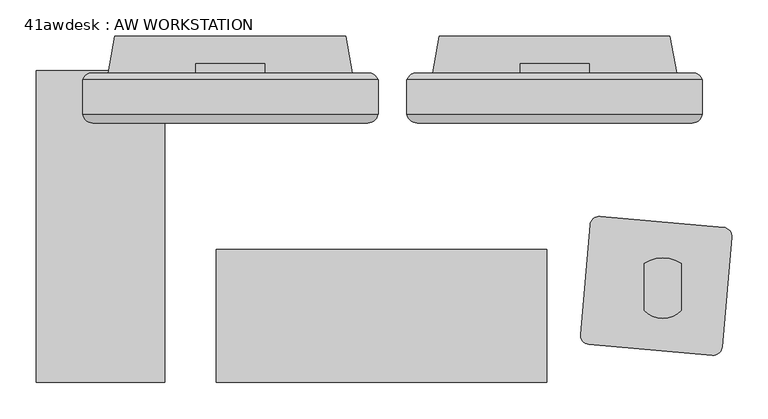
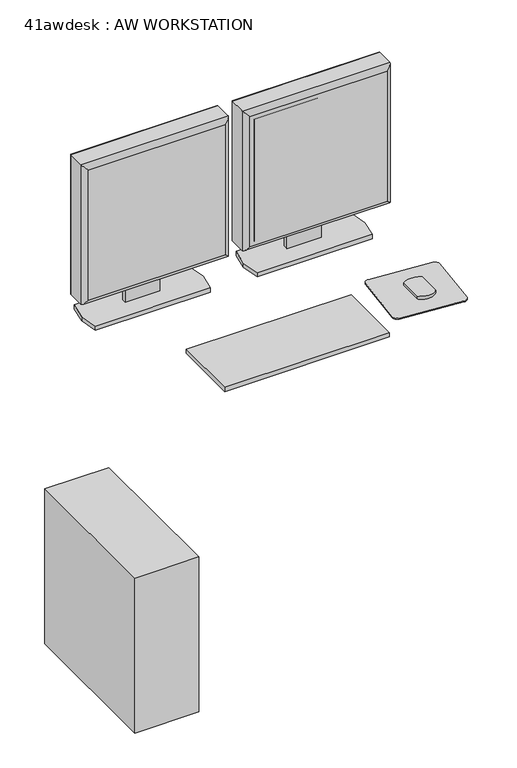
"""IFC4 building model written with IfcOpenShell, lengths in millimetres: proxy geometry, 41awdesk : AW WORKSTATION."""

from ifc_helpers import new_model, si_unit, point, frame, frame_2d, origin, origin_with_axes, place, context, project, spatial, polyline, circle_curve, ellipse_curve, trimmed, segment, composite_curve, outline, extrude, source, transform, mapped, element, save
from ifc_brep_helpers import plane_surface, cylinder_surface, advanced_brep


def proxy_41awdesk_aw_workstation_a5c056a0(model_context):
    return source(origin(), model_context, "Body", "SolidModel", [
        advanced_brep(
        [(2.317805, -60.291636, 1419.86), (2.317805, -103.4223166, 1419.86), (2.317805, -108.4193594, 1419.86), (411.257805, -108.4193594, 1419.86), (411.257805, -103.4223166, 1419.86), (411.257805, -60.291636, 1419.86), (411.257805, -60.291636, 1010.2963264), (411.257805, -103.4223166, 1010.2963264), (411.257805, -108.4193594, 1010.2963264), (2.317805, -108.4193594, 1010.2963264), (2.317805, -103.4223166, 1010.2963264), (2.317805, -60.291636, 1010.2963264), (11.555441, -51.054, 1019.5339624), (11.555441, -51.054, 1410.622364), (402.0201691, -51.054, 1410.622364), (402.0201691, -51.054, 1019.5339624), (16.4819657, -120.3036769, 1405.694569), (16.4819657, -120.3036769, 1024.4617574), (397.092374, -120.3036769, 1024.460487), (397.0936444, -120.3036769, 1405.694569)],
        [
            (0, 1),
            (1, 2),
            (2, 3),
            (3, 4),
            (4, 5),
            (5, 0),
            (6, 7),
            (7, 8),
            (8, 9),
            (9, 10),
            (10, 11),
            (11, 6),
            (12, 13),
            (13, 14),
            (14, 15),
            (15, 12),
            (0, 11),
            (9, 2),
            (16, 17),
            (17, 18),
            (18, 19),
            (19, 16),
            (3, 8),
            (6, 5),
            (12, 11, ellipse_curve(frame((18.4324933, -67.1686883, 1026.4110147), z_axis=(-0.7071067811865452, 0.0, 0.7071067811865498), x_axis=(-0.7071067811865498, 0.0, -0.7071067811865452)), 24.7780962, 17.5207599)),
            (0, 13, ellipse_curve(frame((18.4324933, -67.1686883, 1403.7453117), z_axis=(-0.7071067811865498, 0.0, -0.7071067811865452), x_axis=(0.7071067811865452, 0.0, -0.7071067811865498)), 24.7780962, 17.5207599)),
            (16, 2, ellipse_curve(frame((16.4819657, -105.920838, 1405.6958394), z_axis=(-0.7071067811865498, 0.0, -0.7071067811865452), x_axis=(0.7071067811865452, 0.0, -0.7071067811865498)), 20.3404059, 14.3828389)),
            (9, 17, ellipse_curve(frame((16.4819657, -105.920838, 1024.460487), z_axis=(-0.7071067811865452, 0.0, 0.7071067811865498), x_axis=(-0.7071067811865498, 0.0, -0.7071067811865452)), 20.3404059, 14.3828389)),
            (15, 6, ellipse_curve(frame((395.1431168, -67.1686883, 1026.4110147), z_axis=(-0.7071067811865498, 0.0, -0.7071067811865452), x_axis=(0.7071067811865452, 0.0, -0.7071067811865497)), 24.7780962, 17.5207599)),
            (8, 18, ellipse_curve(frame((397.0936444, -105.920838, 1024.460487), z_axis=(-0.7071067811865498, 0.0, -0.7071067811865452), x_axis=(0.7071067811865452, 0.0, -0.7071067811865497)), 20.3404059, 14.3828389)),
            (14, 5, ellipse_curve(frame((395.1431168, -67.1686883, 1403.7453117), z_axis=(0.7071067811865452, 0.0, -0.7071067811865498), x_axis=(0.7071067811865498, 0.0, 0.7071067811865452)), 24.7780962, 17.5207599)),
            (3, 19, ellipse_curve(frame((397.0936444, -105.920838, 1405.6958394), z_axis=(0.7071067811865452, 0.0, -0.7071067811865498), x_axis=(0.7071067811865498, 0.0, 0.7071067811865452)), 20.3404059, 14.3828389)),
        ],
        [
            plane_surface(frame((7.397805, -51.054, 1419.86), z_axis=(0.0, 0.0, 1.0), x_axis=(-1.0, 0.0, 0.0))),
            plane_surface(frame((7.397805, -51.054, 1010.2963264), z_axis=(0.0, 0.0, -1.0), x_axis=(1.0, 0.0, 0.0))),
            plane_surface(frame((411.257805, -51.054, 1419.86), z_axis=(0.0, 1.0, 0.0), x_axis=(0.0, 0.0, -1.0))),
            plane_surface(frame((2.317805, -51.054, 1419.86), z_axis=(-1.0, 0.0, 0.0), x_axis=(0.0, 0.0, -1.0))),
            plane_surface(frame((2.317805, -120.3036769, 1419.86), z_axis=(0.0, -1.0, 0.0), x_axis=(0.0, 0.0, -1.0))),
            plane_surface(frame((411.257805, -120.3036769, 1419.86), z_axis=(1.0, 0.0, 0.0), x_axis=(0.0, 0.0, -1.0))),
            cylinder_surface(frame((18.4324933, -67.1686883, 1419.86), z_axis=(0.0, 0.0, -1.0), x_axis=(0.0, 1.0, 0.0)), 17.5207599),
            cylinder_surface(frame((16.4819657, -105.920838, 1419.86), z_axis=(0.0, 0.0, -1.0), x_axis=(0.0, 1.0, 0.0)), 14.3828389),
            cylinder_surface(frame((2.317805, -67.1686883, 1026.4110147), z_axis=(1.0, 0.0, 0.0), x_axis=(0.0, 1.0, 0.0)), 17.5207599),
            cylinder_surface(frame((2.317805, -105.920838, 1024.460487), z_axis=(1.0, 0.0, 0.0), x_axis=(0.0, 1.0, 0.0)), 14.3828389),
            cylinder_surface(frame((395.1431168, -67.1686883, 1010.2963264), z_axis=(0.0, 0.0, 1.0), x_axis=(0.0, 1.0, 0.0)), 17.5207599),
            cylinder_surface(frame((397.0936444, -105.920838, 1010.2963264), z_axis=(0.0, 0.0, 1.0), x_axis=(0.0, 1.0, 0.0)), 14.3828389),
            cylinder_surface(frame((411.257805, -67.1686883, 1403.7453117), z_axis=(-1.0, 0.0, 0.0), x_axis=(0.0, 1.0, 0.0)), 17.5207599),
            cylinder_surface(frame((411.257805, -105.920838, 1405.6958394), z_axis=(-1.0, 0.0, 0.0), x_axis=(0.0, 1.0, 0.0)), 14.3828389),
        ],
        [
            (0, [[1, 2, 3, 4, 5, 6]]),
            (1, [[7, 8, 9, 10, 11, 12]]),
            (2, [[13, 14, 15, 16]]),
            (3, [[-1, 17, -11, -10, 18, -2]]),
            (4, [[19, 20, 21, 22]]),
            (5, [[-5, -4, 23, -8, -7, 24]]),
            (6, [[25, -17, 26, -13]]),
            (7, [[27, -18, 28, -19]]),
            (8, [[-25, -16, 29, -12]]),
            (9, [[30, -20, -28, -9]]),
            (10, [[-29, -15, 31, -24]]),
            (11, [[32, -21, -30, -23]]),
            (12, [[-26, -6, -31, -14]]),
            (13, [[-27, -22, -32, -3]]),
        ],
    ),
        extrude(outline(polyline([(27.717805, -114.3898978), (385.857805, -114.3898978), (385.857805, -120.3036769), (27.717805, -120.3036769), (27.717805, -114.3898978)])), frame((0.0, 0.0, 1035.6963264), z_axis=(0.0, 0.0, 1.0), x_axis=(1.0, 0.0, 0.0)), (0.0, 0.0, 1.0), 358.7636736),
        extrude(outline(polyline([(-51.054, 1236.2794056), (-38.3728288, 1236.2794056), (-38.3728288, 926.6153731), (-51.054, 926.6153731), (-51.054, 1006.8339624), (-48.3167676, 1006.8339624), (-48.3167676, 1019.5339624), (-51.054, 1019.5339624), (-51.054, 1236.2794056)])), frame((159.162805, 0.0, 0.0), z_axis=(1.0, 0.0, 0.0), x_axis=(0.0, 1.0, 0.0)), (0.0, 0.0, 1.0), 95.25),
        extrude(outline(polyline([(38.131805, -51.054), (47.275805, 0.0), (366.299805, 0.0), (375.443805, -51.054), (366.299805, -102.108), (47.275805, -102.108), (38.131805, -51.054)])), frame((0.0, 0.0, 914.4), z_axis=(0.0, 0.0, 1.0), x_axis=(1.0, 0.0, 0.0)), (0.0, 0.0, 1.0), 12.2153731),
        advanced_brep(
        [(-446.532, -60.291636, 1419.86), (-446.532, -103.4223166, 1419.86), (-446.532, -108.4193594, 1419.86), (-37.592, -108.4193594, 1419.86), (-37.592, -103.4223166, 1419.86), (-37.592, -60.291636, 1419.86), (-37.592, -60.291636, 1010.2963264), (-37.592, -103.4223166, 1010.2963264), (-37.592, -108.4193594, 1010.2963264), (-446.532, -108.4193594, 1010.2963264), (-446.532, -103.4223166, 1010.2963264), (-446.532, -60.291636, 1010.2963264), (-437.294364, -51.054, 1019.5339624), (-437.294364, -51.054, 1410.622364), (-46.829636, -51.054, 1410.622364), (-46.829636, -51.054, 1019.5339624), (-432.3678394, -120.3036769, 1405.694569), (-432.3678394, -120.3036769, 1024.4617574), (-51.757431, -120.3036769, 1024.460487), (-51.7561606, -120.3036769, 1405.694569)],
        [
            (0, 1),
            (1, 2),
            (2, 3),
            (3, 4),
            (4, 5),
            (5, 0),
            (6, 7),
            (7, 8),
            (8, 9),
            (9, 10),
            (10, 11),
            (11, 6),
            (12, 13),
            (13, 14),
            (14, 15),
            (15, 12),
            (0, 11),
            (9, 2),
            (16, 17),
            (17, 18),
            (18, 19),
            (19, 16),
            (3, 8),
            (6, 5),
            (12, 11, ellipse_curve(frame((-430.4173117, -67.1686883, 1026.4110147), z_axis=(-0.7071067811865452, 0.0, 0.7071067811865498), x_axis=(-0.7071067811865498, 0.0, -0.7071067811865452)), 24.7780962, 17.5207599)),
            (0, 13, ellipse_curve(frame((-430.4173117, -67.1686883, 1403.7453117), z_axis=(-0.7071067811865498, 0.0, -0.7071067811865452), x_axis=(0.7071067811865452, 0.0, -0.7071067811865498)), 24.7780962, 17.5207599)),
            (16, 2, ellipse_curve(frame((-432.3678394, -105.920838, 1405.6958394), z_axis=(-0.7071067811865498, 0.0, -0.7071067811865452), x_axis=(0.7071067811865452, 0.0, -0.7071067811865498)), 20.3404059, 14.3828389)),
            (9, 17, ellipse_curve(frame((-432.3678394, -105.920838, 1024.460487), z_axis=(-0.7071067811865452, 0.0, 0.7071067811865498), x_axis=(-0.7071067811865498, 0.0, -0.7071067811865452)), 20.3404059, 14.3828389)),
            (15, 6, ellipse_curve(frame((-53.7066883, -67.1686883, 1026.4110147), z_axis=(-0.7071067811865498, 0.0, -0.7071067811865452), x_axis=(0.7071067811865452, 0.0, -0.7071067811865497)), 24.7780962, 17.5207599)),
            (8, 18, ellipse_curve(frame((-51.7561606, -105.920838, 1024.460487), z_axis=(-0.7071067811865498, 0.0, -0.7071067811865452), x_axis=(0.7071067811865452, 0.0, -0.7071067811865497)), 20.3404059, 14.3828389)),
            (14, 5, ellipse_curve(frame((-53.7066883, -67.1686883, 1403.7453117), z_axis=(0.7071067811865452, 0.0, -0.7071067811865498), x_axis=(0.7071067811865498, 0.0, 0.7071067811865452)), 24.7780962, 17.5207599)),
            (3, 19, ellipse_curve(frame((-51.7561606, -105.920838, 1405.6958394), z_axis=(0.7071067811865452, 0.0, -0.7071067811865498), x_axis=(0.7071067811865498, 0.0, 0.7071067811865452)), 20.3404059, 14.3828389)),
        ],
        [
            plane_surface(frame((-441.452, -51.054, 1419.86), z_axis=(0.0, 0.0, 1.0), x_axis=(-1.0, 0.0, 0.0))),
            plane_surface(frame((-441.452, -51.054, 1010.2963264), z_axis=(0.0, 0.0, -1.0), x_axis=(1.0, 0.0, 0.0))),
            plane_surface(frame((-37.592, -51.054, 1419.86), z_axis=(0.0, 1.0, 0.0), x_axis=(0.0, 0.0, -1.0))),
            plane_surface(frame((-446.532, -51.054, 1419.86), z_axis=(-1.0, 0.0, 0.0), x_axis=(0.0, 0.0, -1.0))),
            plane_surface(frame((-446.532, -120.3036769, 1419.86), z_axis=(0.0, -1.0, 0.0), x_axis=(0.0, 0.0, -1.0))),
            plane_surface(frame((-37.592, -120.3036769, 1419.86), z_axis=(1.0, 0.0, 0.0), x_axis=(0.0, 0.0, -1.0))),
            cylinder_surface(frame((-430.4173117, -67.1686883, 1419.86), z_axis=(0.0, 0.0, -1.0), x_axis=(0.0, 1.0, 0.0)), 17.5207599),
            cylinder_surface(frame((-432.3678394, -105.920838, 1419.86), z_axis=(0.0, 0.0, -1.0), x_axis=(0.0, 1.0, 0.0)), 14.3828389),
            cylinder_surface(frame((-446.532, -67.1686883, 1026.4110147), z_axis=(1.0, 0.0, 0.0), x_axis=(0.0, 1.0, 0.0)), 17.5207599),
            cylinder_surface(frame((-446.532, -105.920838, 1024.460487), z_axis=(1.0, 0.0, 0.0), x_axis=(0.0, 1.0, 0.0)), 14.3828389),
            cylinder_surface(frame((-53.7066883, -67.1686883, 1010.2963264), z_axis=(0.0, 0.0, 1.0), x_axis=(0.0, 1.0, 0.0)), 17.5207599),
            cylinder_surface(frame((-51.7561606, -105.920838, 1010.2963264), z_axis=(0.0, 0.0, 1.0), x_axis=(0.0, 1.0, 0.0)), 14.3828389),
            cylinder_surface(frame((-37.592, -67.1686883, 1403.7453117), z_axis=(-1.0, 0.0, 0.0), x_axis=(0.0, 1.0, 0.0)), 17.5207599),
            cylinder_surface(frame((-37.592, -105.920838, 1405.6958394), z_axis=(-1.0, 0.0, 0.0), x_axis=(0.0, 1.0, 0.0)), 14.3828389),
        ],
        [
            (0, [[1, 2, 3, 4, 5, 6]]),
            (1, [[7, 8, 9, 10, 11, 12]]),
            (2, [[13, 14, 15, 16]]),
            (3, [[-1, 17, -11, -10, 18, -2]]),
            (4, [[19, 20, 21, 22]]),
            (5, [[-5, -4, 23, -8, -7, 24]]),
            (6, [[25, -17, 26, -13]]),
            (7, [[27, -18, 28, -19]]),
            (8, [[-25, -16, 29, -12]]),
            (9, [[30, -20, -28, -9]]),
            (10, [[-29, -15, 31, -24]]),
            (11, [[32, -21, -30, -23]]),
            (12, [[-26, -6, -31, -14]]),
            (13, [[-27, -22, -32, -3]]),
        ],
    ),
        extrude(outline(polyline([(-421.132, -114.3898978), (-62.992, -114.3898978), (-62.992, -120.3036769), (-421.132, -120.3036769), (-421.132, -114.3898978)])), frame((0.0, 0.0, 1035.6963264), z_axis=(0.0, 0.0, 1.0), x_axis=(1.0, 0.0, 0.0)), (0.0, 0.0, 1.0), 358.7636736),
        extrude(outline(polyline([(-51.054, 1236.2794056), (-38.3728288, 1236.2794056), (-38.3728288, 926.6153731), (-51.054, 926.6153731), (-51.054, 1006.8339624), (-48.3167676, 1006.8339624), (-48.3167676, 1019.5339624), (-51.054, 1019.5339624), (-51.054, 1236.2794056)])), frame((-289.687, 0.0, 0.0), z_axis=(1.0, 0.0, 0.0), x_axis=(0.0, 1.0, 0.0)), (0.0, 0.0, 1.0), 95.25),
        extrude(outline(polyline([(-510.6927922, -479.6366912), (-510.6927922, -47.8366912), (-332.8927922, -47.8366912), (-332.8927922, -479.6366912), (-510.6927922, -479.6366912)])), origin_with_axes(), (0.0, 0.0, 1.0), 454.66),
        extrude(outline(composite_curve([segment(trimmed(circle_curve(frame_2d((268.5478669, -262.4981754)), 12.7), [point((255.8961942, -261.3912975))], [point((269.6547448, -249.8465028))], False, "CARTESIAN"), True, "CONTINUOUS"), segment(polyline([(269.6547448, -249.8465028), (440.4523258, -264.7893549)]), True, "CONTINUOUS"), segment(trimmed(circle_curve(frame_2d((439.3454479, -277.4410275)), 12.7), [point((440.4523258, -264.7893549))], [point((451.9971205, -278.5479055))], False, "CARTESIAN"), True, "CONTINUOUS"), segment(polyline([(451.9971205, -278.5479055), (438.7145853, -430.3679775)]), True, "CONTINUOUS"), segment(trimmed(circle_curve(frame_2d((426.0629127, -429.2610995)), 12.7), [point((438.7145853, -430.3679775))], [point((424.9560347, -441.9127722))], False, "CARTESIAN"), True, "CONTINUOUS"), segment(polyline([(424.9560347, -441.9127722), (254.1584537, -426.9699201)]), True, "CONTINUOUS"), segment(trimmed(circle_curve(frame_2d((255.2653317, -414.3182474)), 12.7), [point((254.1584537, -426.9699201))], [point((242.613659, -413.2113695))], False, "CARTESIAN"), True, "CONTINUOUS"), segment(polyline([(242.613659, -413.2113695), (255.8961942, -261.3912975)]), True, "CONTINUOUS")], self_intersect=False)), frame((0.0, 0.0, 914.4), z_axis=(0.0, 0.0, 1.0), x_axis=(1.0, 0.0, 0.0)), (0.0, 0.0, 1.0), 2.9133962),
        extrude(outline(composite_curve([segment(trimmed(circle_curve(frame_2d((356.4905513, -355.3548034)), 35.5491443), [point((381.8905513, -380.2261053))], [point((331.0905513, -380.2261053))], False, "CARTESIAN"), True, "CONTINUOUS"), segment(polyline([(331.0905513, -380.2261053), (331.0905513, -314.9307586)]), True, "CONTINUOUS"), segment(trimmed(circle_curve(frame_2d((356.4905513, -353.1081717)), 45.8549329), [point((331.0905513, -314.9307586))], [point((381.8905513, -314.9307586))], False, "CARTESIAN"), True, "CONTINUOUS"), segment(polyline([(381.8905513, -314.9307586), (381.8905513, -380.2261053)]), True, "CONTINUOUS")], self_intersect=False)), frame((0.0, 0.0, 917.3133962), z_axis=(0.0, 0.0, 1.0), x_axis=(1.0, 0.0, 0.0)), (0.0, 0.0, 1.0), 9.3019768),
        extrude(outline(polyline([(-410.718, -51.054), (-401.574, 0.0), (-82.55, 0.0), (-73.406, -51.054), (-82.55, -102.108), (-401.574, -102.108), (-410.718, -51.054)])), frame((0.0, 0.0, 914.4), z_axis=(0.0, 0.0, 1.0), x_axis=(1.0, 0.0, 0.0)), (0.0, 0.0, 1.0), 12.2153731),
        extrude(outline(polyline([(196.0694129, -295.4866912), (196.0694129, -479.6366912), (-261.1305871, -479.6366912), (-261.1305871, -295.4866912), (196.0694129, -295.4866912)])), frame((0.0, 0.0, 914.4), z_axis=(0.0, 0.0, 1.0), x_axis=(1.0, 0.0, 0.0)), (0.0, 0.0, 1.0), 12.2153731),
    ])


if __name__ == "__main__":
    model = new_model("IFC4")
    model_context = context("Model", 3, world=origin())
    ifc_project = project(units=[si_unit("LENGTHUNIT", "METRE", prefix="MILLI")], contexts=[model_context])
    site = spatial("IfcSite", under=ifc_project)
    building = spatial("IfcBuilding", under=site)
    placement = place(None, origin())
    proxy_41awdesk_aw_workstation_shape = proxy_41awdesk_aw_workstation_a5c056a0(model_context)
    element("IfcBuildingElementProxy", 1, Name="41awdesk : AW WORKSTATION", ObjectType="41awdesk : AW WORKSTATION", at=placement, inside=building, context=model_context, shape_type="MappedRepresentation", body=[
        mapped(proxy_41awdesk_aw_workstation_shape, transform((0.0, 0.0, 0.0), x_axis=(1.0, 0.0, 0.0), y_axis=(0.0, 1.0, 0.0), z_axis=(0.0, 0.0, 1.0))),
    ])
    save(model, "model.ifc")
